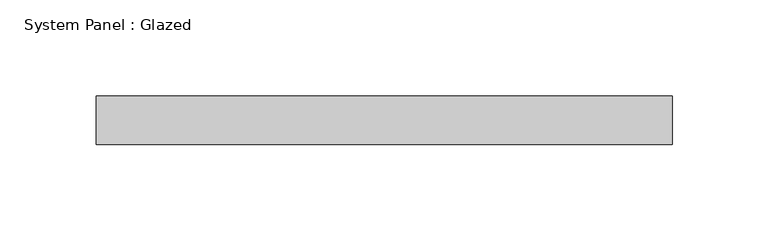
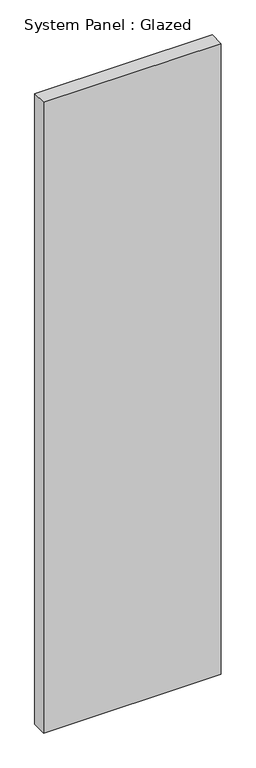
"""IFC4 building model written with IfcOpenShell, lengths in millimetres: plate geometry, System Panel : Glazed."""

from ifc_helpers import new_model, si_unit, origin, origin_with_axes, place, context, project, spatial, polyline, outline, extrude, source, transform, mapped, element, save


def system_panel_glazed_d067f777(model_context):
    return source(origin(), model_context, "Body", "SweptSolid", [
        extrude(outline(polyline([(150.0, -44.45), (-150.0, -44.45), (-150.0, -19.05), (150.0, -19.05), (150.0, -44.45)])), origin_with_axes(), (0.0, 0.0, 1.0), 1126.0),
    ])


if __name__ == "__main__":
    model = new_model("IFC4")
    model_context = context("Model", 3, world=origin())
    ifc_project = project(units=[si_unit("LENGTHUNIT", "METRE", prefix="MILLI")], contexts=[model_context])
    site = spatial("IfcSite", under=ifc_project)
    building = spatial("IfcBuilding", under=site)
    placement = place(None, origin())
    system_panel_glazed_shape = system_panel_glazed_d067f777(model_context)
    element("IfcPlate", 1, ObjectType="System Panel : Glazed", at=placement, inside=building, context=model_context, shape_type="MappedRepresentation", body=[
        mapped(system_panel_glazed_shape, transform((0.0, 0.0, 0.0), x_axis=(1.0, 0.0, 0.0), y_axis=(0.0, 1.0, 0.0), z_axis=(0.0, 0.0, 1.0))),
    ])
    save(model, "model.ifc")
